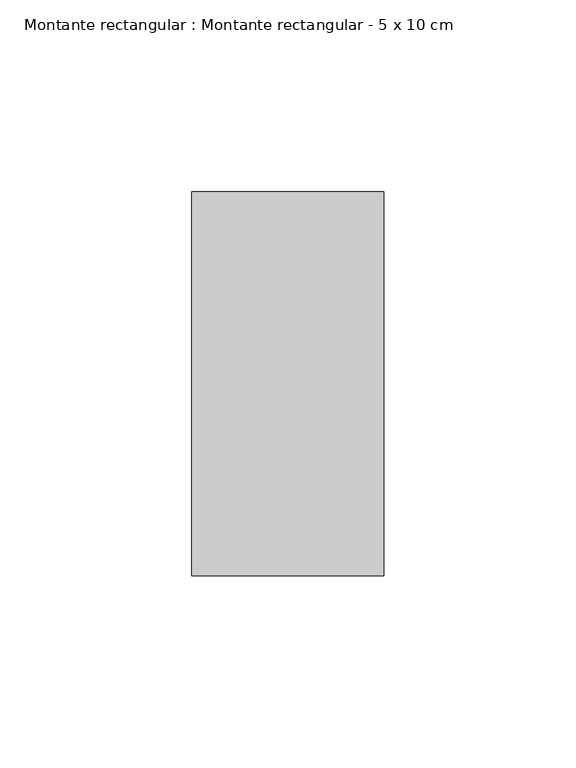
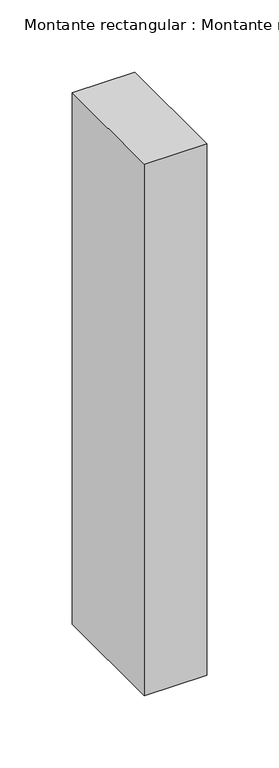
"""IFC4 building model written with IfcOpenShell, lengths in millimetres: member geometry, Montante rectangular : Montante rectangular - 5 x 10 cm."""

import ifcopenshell
import ifcopenshell.guid

model = None  # the IFC model being written
_history = None  # IfcOwnerHistory: only IFC2X3 demands one
_inside = {}  # id of a spatial element -> (the spatial element, [elements in it])
_under = {}  # id of a project, library or spatial element -> (it, [spatial elements below it])
_declared = {}  # id of a project -> (the project, [libraries it declares])
_typed = {}  # id of a type object -> (the type object, [elements of that type])
_made_of = {}  # id of a material, layer set ... -> (it, [elements and type objects made of it])


def new_model(schema):
    """Start an empty IFC model of exactly this schema.

    Asked for "IFC4X3", IfcOpenShell would pick the latest addendum, in which some entities
    have other attributes; the version numbers below select the first issue.
    IFC2X3 requires an IfcOwnerHistory on every rooted entity: one is made here for all.
    """
    global model, _history
    if schema == "IFC4X3":
        model = ifcopenshell.file(schema_version=(4, 3, 0, 0))
    else:
        model = ifcopenshell.file(schema=schema)
    _inside.clear()
    _under.clear()
    _declared.clear()
    _typed.clear()
    _made_of.clear()
    _history = None
    if model.schema == "IFC2X3":
        org = make("IfcOrganization", Name="unknown")
        user = make(
            "IfcPersonAndOrganization",
            ThePerson=make("IfcPerson", FamilyName="unknown"),
            TheOrganization=org,
        )
        app = make(
            "IfcApplication",
            ApplicationDeveloper=org,
            Version="unknown",
            ApplicationFullName="unknown",
            ApplicationIdentifier="unknown",
        )
        _history = make(
            "IfcOwnerHistory",
            OwningUser=user,
            OwningApplication=app,
            ChangeAction="ADDED",
            CreationDate=0,
        )
    return model


def make(cls, **values):
    """One entity of the class cls with the attributes given. An attribute that is None is left unset."""
    return model.create_entity(
        cls, **{name: value for name, value in values.items() if value is not None}
    )


def rooted(cls, **values):
    """An entity with a GlobalId (a new one), such as an element, a storey or a relation."""
    return make(cls, GlobalId=ifcopenshell.guid.new(), OwnerHistory=_history, **values)


def si_unit(unit_type, name, prefix=None):
    """IfcSIUnit, for example si_unit("LENGTHUNIT", "METRE", prefix="MILLI")."""
    return make("IfcSIUnit", UnitType=unit_type, Prefix=prefix, Name=name)


def assignment(units):
    """IfcUnitAssignment: the units of a project."""
    return None if units is None else make("IfcUnitAssignment", Units=units)


def point(xyz):
    """IfcCartesianPoint."""
    return None if xyz is None else make("IfcCartesianPoint", Coordinates=xyz)


def direction(xyz):
    """IfcDirection."""
    return None if xyz is None else make("IfcDirection", DirectionRatios=xyz)


def frame(location, z_axis=None, x_axis=None):
    """IfcAxis2Placement3D, a coordinate frame: its origin and axes. An axis left out is left unset."""
    return make(
        "IfcAxis2Placement3D",
        Location=point(location),
        Axis=direction(z_axis),
        RefDirection=direction(x_axis),
    )


def origin():
    """The frame at (0, 0, 0) with its axes left unset."""
    return frame((0.0, 0.0, 0.0))


def place(relative_to, where):
    """IfcLocalPlacement: puts the frame where relative to a parent placement (None: the world)."""
    return make(
        "IfcLocalPlacement", PlacementRelTo=relative_to, RelativePlacement=where
    )


def context(
    kind, dimensions, precision=None, world=None, true_north=None, identifier=None
):
    """IfcGeometricRepresentationContext, for example the 3D "Model" context."""
    return make(
        "IfcGeometricRepresentationContext",
        ContextIdentifier=identifier,
        ContextType=kind,
        CoordinateSpaceDimension=dimensions,
        Precision=precision,
        WorldCoordinateSystem=world,
        TrueNorth=true_north,
    )


def project(units=None, contexts=None):
    """IfcProject with its units and contexts."""
    return rooted(
        "IfcProject",
        Name="project",
        RepresentationContexts=contexts,
        UnitsInContext=assignment(units),
    )


def spatial(cls, under=None, at=None, **own):
    """A site, building, storey or space (cls), placed at a placement, below another one or the project."""
    s = rooted(cls, ObjectPlacement=at, **own)
    if under is not None:
        _under.setdefault(under.id(), (under, []))[1].append(s)
    return s


def polyline(points):
    """IfcPolyline through the points."""
    return make("IfcPolyline", Points=[point(p) for p in points])


def outline(outer, holes=None, kind="AREA"):
    """IfcArbitraryClosedProfileDef: a profile drawn as a closed curve; with holes, ...WithVoids."""
    if holes is None:
        return make("IfcArbitraryClosedProfileDef", ProfileType=kind, OuterCurve=outer)
    return make(
        "IfcArbitraryProfileDefWithVoids",
        ProfileType=kind,
        OuterCurve=outer,
        InnerCurves=holes,
    )


def extrude(swept, where, along, depth):
    """IfcExtrudedAreaSolid: the profile swept, set in the frame where, extruded along a direction by depth."""
    return make(
        "IfcExtrudedAreaSolid",
        SweptArea=swept,
        Position=where,
        ExtrudedDirection=direction(along),
        Depth=depth,
    )


def shape(context_of_items, identifier, shape_type, items):
    """IfcShapeRepresentation: the items that make up one representation, for example the "Body"."""
    return make(
        "IfcShapeRepresentation",
        ContextOfItems=context_of_items,
        RepresentationIdentifier=identifier,
        RepresentationType=shape_type,
        Items=items,
    )


def source(mapping_origin, context_of_items, identifier, shape_type, items):
    """IfcRepresentationMap: a shape defined once, which mapped items show again and again."""
    return make(
        "IfcRepresentationMap",
        MappingOrigin=mapping_origin,
        MappedRepresentation=shape(context_of_items, identifier, shape_type, items),
    )


def transform(
    local_origin,
    x_axis=None,
    y_axis=None,
    z_axis=None,
    scale=None,
    scale2=None,
    scale3=None,
    uniform=True,
):
    """IfcCartesianTransformationOperator3D, or its non-uniform kind. x_axis, y_axis, z_axis: its Axis1, 2, 3."""
    if uniform:
        return make(
            "IfcCartesianTransformationOperator3D",
            Axis1=direction(x_axis),
            Axis2=direction(y_axis),
            LocalOrigin=point(local_origin),
            Scale=scale,
            Axis3=direction(z_axis),
        )
    return make(
        "IfcCartesianTransformationOperator3DnonUniform",
        Axis1=direction(x_axis),
        Axis2=direction(y_axis),
        LocalOrigin=point(local_origin),
        Scale=scale,
        Axis3=direction(z_axis),
        Scale2=scale2,
        Scale3=scale3,
    )


def mapped(mapping_source, mapping_target):
    """IfcMappedItem: shows the shape of a source again, moved by a transform."""
    return make(
        "IfcMappedItem", MappingSource=mapping_source, MappingTarget=mapping_target
    )


def made_of(thing, what):
    """Note that an element or type object is made of a material, layer set ...; save() writes the relation."""
    if what is not None:
        _made_of.setdefault(what.id(), (what, []))[1].append(thing)
    return thing


def element(
    cls,
    number,
    at=None,
    inside=None,
    cuts=None,
    type_object=None,
    material=None,
    context=None,
    identifier="Body",
    shape_type=None,
    held_by="IfcProductDefinitionShape",
    body=None,
    shapes=None,
    **own,
):
    """One element of the class cls, such as IfcWall. Its Tag is "e" and its number.

    at: its placement. inside: the storey or other place that contains it. cuts: it is an
    opening in that element (IfcRelVoidsElement). A single representation is given by context,
    identifier, shape_type and body (its items); several are given by shapes. held_by: the class
    of the entity that holds the representations. save() writes the other relations.
    """
    e = rooted(cls, Tag="e%d" % number, ObjectPlacement=at, **own)
    if body is not None:
        shapes = [shape(context, identifier, shape_type, body)]
    if shapes is not None:
        e.Representation = make(held_by, Representations=shapes)
    if inside is not None:
        _inside.setdefault(inside.id(), (inside, []))[1].append(e)
    if cuts is not None:
        rooted(
            "IfcRelVoidsElement", RelatingBuildingElement=cuts, RelatedOpeningElement=e
        )
    if type_object is not None:
        _typed.setdefault(type_object.id(), (type_object, []))[1].append(e)
    return made_of(e, material)


def aggregate(whole, parts):
    """IfcRelAggregates: a whole, such as a stair, and the parts it consists of."""
    return rooted("IfcRelAggregates", RelatingObject=whole, RelatedObjects=parts)


def save(model, path):
    """Write the relations noted so far, then the file.

    IfcRelAggregates (storeys below a building ...), IfcRelContainedInSpatialStructure (elements
    in a storey), IfcRelDefinesByType, IfcRelAssociatesMaterial and IfcRelDeclares: one each for
    every whole, place, type object, material and project.
    """
    for whole, parts in _under.values():
        aggregate(whole, parts)
    for where, things in _inside.values():
        rooted(
            "IfcRelContainedInSpatialStructure",
            RelatedElements=things,
            RelatingStructure=where,
        )
    for kind, things in _typed.values():
        rooted("IfcRelDefinesByType", RelatedObjects=things, RelatingType=kind)
    for what, things in _made_of.values():
        rooted("IfcRelAssociatesMaterial", RelatedObjects=things, RelatingMaterial=what)
    for by, libraries in _declared.values():
        rooted("IfcRelDeclares", RelatingContext=by, RelatedDefinitions=libraries)
    model.write(path)


def montante_rectangular_montante_rectangular_5_x_10_cm_c76ba085(model_context):
    return source(origin(), model_context, "Body", "SweptSolid", [
        extrude(outline(polyline([(-50.0, 50.0), (0.0, 50.0), (0.0, -50.0), (-50.0, -50.0), (-50.0, 50.0)])), frame((0.0, 0.0, -450.0), z_axis=(0.0, 0.0, 1.0), x_axis=(1.0, 0.0, 0.0)), (0.0, 0.0, 1.0), 450.0),
    ])


if __name__ == "__main__":
    model = new_model("IFC4")
    model_context = context("Model", 3, world=origin())
    ifc_project = project(units=[si_unit("LENGTHUNIT", "METRE", prefix="MILLI")], contexts=[model_context])
    site = spatial("IfcSite", under=ifc_project)
    building = spatial("IfcBuilding", under=site)
    placement = place(None, origin())
    montante_rectangular_montante_rectangular_5_x_10_cm_shape = montante_rectangular_montante_rectangular_5_x_10_cm_c76ba085(model_context)
    element("IfcMember", 1, ObjectType="Montante rectangular : Montante rectangular - 5 x 10 cm", at=placement, inside=building, context=model_context, shape_type="MappedRepresentation", body=[
        mapped(montante_rectangular_montante_rectangular_5_x_10_cm_shape, transform((0.0, 0.0, 0.0), x_axis=(1.0, 0.0, 0.0), y_axis=(0.0, 1.0, 0.0), z_axis=(0.0, 0.0, 1.0))),
    ])
    save(model, "model.ifc")
